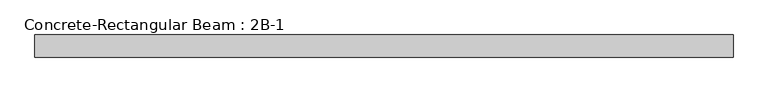
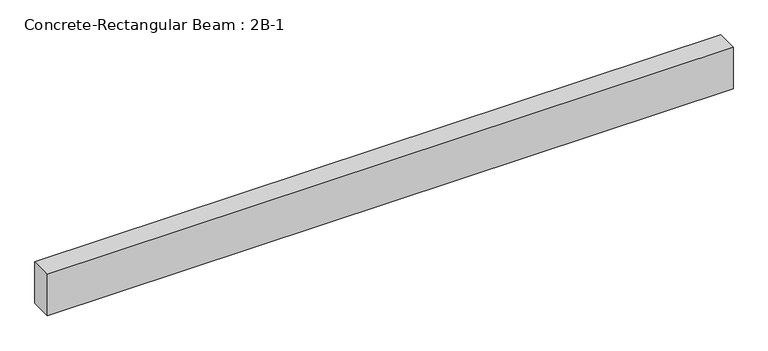
"""IFC4 building model written with IfcOpenShell, lengths in millimetres: beam geometry, Concrete-Rectangular Beam : 2B-1."""

from ifc_helpers import new_model, si_unit, frame, origin, place, context, project, spatial, polyline, outline, extrude, source, transform, mapped, element, save


def concrete_rectangular_beam_2b_1_be847b4c(model_context):
    return source(origin(), model_context, "Body", "SweptSolid", [
        extrude(outline(polyline([(3200.4, 101.6), (3200.4, -101.6), (-3200.4, -101.6), (-3200.4, 101.6), (3200.4, 101.6)])), frame((0.0, 0.0, -203.2), z_axis=(0.0, 0.0, 1.0), x_axis=(1.0, 0.0, 0.0)), (0.0, 0.0, 1.0), 406.4),
    ])


if __name__ == "__main__":
    model = new_model("IFC4")
    model_context = context("Model", 3, world=origin())
    ifc_project = project(units=[si_unit("LENGTHUNIT", "METRE", prefix="MILLI")], contexts=[model_context])
    site = spatial("IfcSite", under=ifc_project)
    building = spatial("IfcBuilding", under=site)
    placement = place(None, origin())
    concrete_rectangular_beam_2b_1_shape = concrete_rectangular_beam_2b_1_be847b4c(model_context)
    element("IfcBeam", 1, ObjectType="Concrete-Rectangular Beam : 2B-1", at=placement, inside=building, context=model_context, shape_type="MappedRepresentation", body=[
        mapped(concrete_rectangular_beam_2b_1_shape, transform((0.0, 0.0, 0.0), x_axis=(1.0, 0.0, 0.0), y_axis=(0.0, 1.0, 0.0), z_axis=(0.0, 0.0, 1.0))),
    ])
    save(model, "model.ifc")
